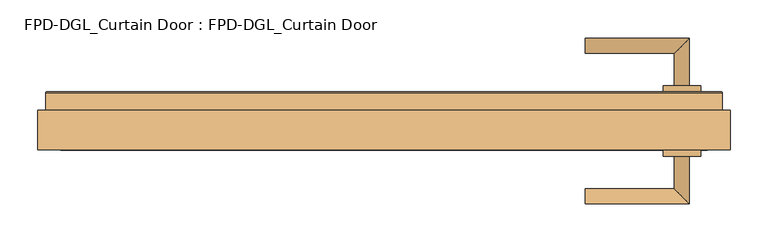
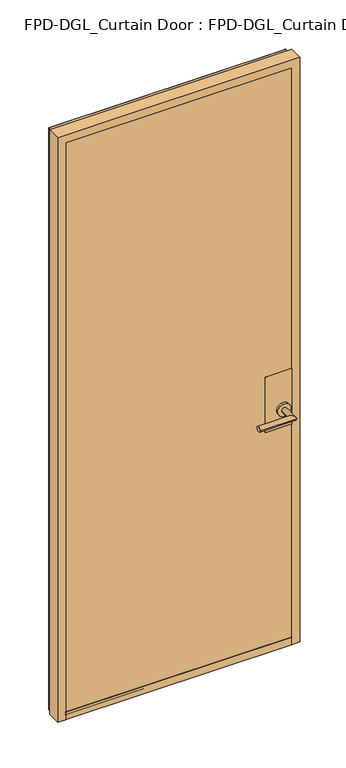
"""IFC4 building model written with IfcOpenShell, lengths in millimetres: door geometry, FPD-DGL_Curtain Door : FPD-DGL_Curtain Door."""

from ifc_helpers import new_model, si_unit, point, frame, frame_2d, origin, place, context, project, spatial, polyline, circle_curve, ellipse_curve, trimmed, segment, composite_curve, outline, extrude, source, transform, mapped, element, save
from ifc_brep_helpers import plane_surface, cylinder_surface, revolved_surface, advanced_brep


def fpd_dgl_curtain_door_fpd_dgl_curtain_door_c3803395(model_context):
    return source(origin(), model_context, "Body", "SolidModel", [
        advanced_brep(
        [(265.3687482, 89.1684274, 965.2), (265.3687482, 109.240371, 965.2), (382.2183886, 89.1684274, 965.2), (402.2903322, 109.240371, 965.2), (382.2183886, 46.5341787, 965.2), (402.2903322, 46.5341787, 965.2)],
        [
            (0, 1, circle_curve(frame((265.3687482, 99.2043992, 965.2), z_axis=(-1.0, 0.0, 0.0), x_axis=(0.0, 1.0, 0.0)), 10.0359718)),
            (1, 0, circle_curve(frame((265.3687482, 99.2043992, 965.2), z_axis=(-1.0, 0.0, 0.0), x_axis=(0.0, 1.0, 0.0)), 10.0359718)),
            (0, 2),
            (2, 3, ellipse_curve(frame((392.2543604, 99.2043992, 965.2), z_axis=(-0.7071067811865464, 0.7071067811865488, 0.0), x_axis=(-0.7071067811865487, -0.7071067811865464, 0.0)), 14.1930074, 10.0359718)),
            (3, 1),
            (3, 2, ellipse_curve(frame((392.2543604, 99.2043992, 965.2), z_axis=(-0.7071067811865464, 0.7071067811865488, 0.0), x_axis=(-0.7071067811865487, -0.7071067811865464, 0.0)), 14.1930074, 10.0359718)),
            (4, 5, circle_curve(frame((392.2543604, 46.5341787, 965.2), z_axis=(0.0, -1.0, 0.0), x_axis=(1.0, 0.0, 0.0)), 10.0359718)),
            (5, 4, circle_curve(frame((392.2543604, 46.5341787, 965.2), z_axis=(0.0, -1.0, 0.0), x_axis=(1.0, 0.0, 0.0)), 10.0359718)),
            (2, 4),
            (5, 3),
        ],
        [
            plane_surface(frame((265.3687482, 99.2043992, 965.2), z_axis=(-1.0, 0.0, 0.0), x_axis=(0.0, 0.0, 1.0))),
            cylinder_surface(frame((265.3687482, 99.2043992, 965.2), z_axis=(-1.0, 0.0, 0.0), x_axis=(0.0, 1.0, 0.0)), 10.0359718),
            plane_surface(frame((392.2543604, 46.5341787, 965.2), z_axis=(0.0, -1.0, 0.0), x_axis=(0.0, 0.0, 1.0))),
            cylinder_surface(frame((392.2543604, 99.2043992, 965.2), z_axis=(0.0, 1.0, 0.0), x_axis=(1.0, 0.0, 0.0)), 10.0359718),
        ],
        [
            (0, [[1, 2]]),
            (1, [[-1, 3, 4, 5]]),
            (1, [[-2, -5, 6, -3]]),
            (2, [[7, 8]]),
            (3, [[-4, 9, -8, 10]]),
            (3, [[-6, -10, -7, -9]]),
        ],
    ),
        advanced_brep(
        [(382.2183886, -46.3299066, 965.2), (402.2903322, -46.3299066, 965.2), (382.2183886, -88.9641553, 965.2), (402.2903322, -109.0360989, 965.2), (265.3687482, -88.9641553, 965.2), (265.3687482, -109.0360989, 965.2)],
        [
            (0, 1, circle_curve(frame((392.2543604, -46.3299066, 965.2), z_axis=(0.0, 1.0, 0.0), x_axis=(1.0, 0.0, 0.0)), 10.0359718)),
            (1, 0, circle_curve(frame((392.2543604, -46.3299066, 965.2), z_axis=(0.0, 1.0, 0.0), x_axis=(1.0, 0.0, 0.0)), 10.0359718)),
            (0, 2),
            (2, 3, ellipse_curve(frame((392.2543604, -99.0001271, 965.2), z_axis=(0.7071067811865487, 0.7071067811865464, 0.0), x_axis=(-0.7071067811865464, 0.7071067811865487, 0.0)), 14.1930074, 10.0359718)),
            (3, 1),
            (3, 2, ellipse_curve(frame((392.2543604, -99.0001271, 965.2), z_axis=(0.7071067811865487, 0.7071067811865464, 0.0), x_axis=(-0.7071067811865464, 0.7071067811865487, 0.0)), 14.1930074, 10.0359718)),
            (4, 5, circle_curve(frame((265.3687482, -99.0001271, 965.2), z_axis=(-1.0, 0.0, 0.0), x_axis=(0.0, -1.0, 0.0)), 10.0359718)),
            (5, 4, circle_curve(frame((265.3687482, -99.0001271, 965.2), z_axis=(-1.0, 0.0, 0.0), x_axis=(0.0, -1.0, 0.0)), 10.0359718)),
            (2, 4),
            (5, 3),
        ],
        [
            plane_surface(frame((392.2543604, -46.3299066, 965.2), z_axis=(0.0, 1.0, 0.0), x_axis=(0.0, 0.0, 1.0))),
            cylinder_surface(frame((392.2543604, -46.3299066, 965.2), z_axis=(0.0, 1.0, 0.0), x_axis=(1.0, 0.0, 0.0)), 10.0359718),
            plane_surface(frame((265.3687482, -99.0001271, 965.2), z_axis=(-1.0, 0.0, 0.0), x_axis=(0.0, 0.0, 1.0))),
            cylinder_surface(frame((392.2543604, -99.0001271, 965.2), z_axis=(1.0, 0.0, 0.0), x_axis=(0.0, -1.0, 0.0)), 10.0359718),
        ],
        [
            (0, [[1, 2]]),
            (1, [[-1, 3, 4, 5]]),
            (1, [[-2, -5, 6, -3]]),
            (2, [[7, 8]]),
            (3, [[-4, 9, -8, 10]]),
            (3, [[-6, -10, -7, -9]]),
        ],
    ),
        extrude(outline(composite_curve([segment(trimmed(circle_curve(frame_2d((965.2, 392.2543604)), 24.60625), [point((965.2, 367.6481104))], [point((965.2, 416.8606104))], False, "CARTESIAN"), True, "CONTINUOUS"), segment(trimmed(circle_curve(frame_2d((965.2, 392.2543604)), 24.60625), [point((965.2, 416.8606104))], [point((965.2, 367.6481104))], False, "CARTESIAN"), True, "CONTINUOUS")], self_intersect=False)), frame((0.0, -46.3299066, 0.0), z_axis=(0.0, 1.0, 0.0), x_axis=(0.0, 0.0, 1.0)), (0.0, 0.0, 1.0), 8.3298107),
        extrude(outline(composite_curve([segment(trimmed(circle_curve(frame_2d((965.2, 392.2543604)), 24.60625), [point((965.2, 367.6481104))], [point((965.2, 416.8606104))], False, "CARTESIAN"), True, "CONTINUOUS"), segment(trimmed(circle_curve(frame_2d((965.2, 392.2543604)), 24.60625), [point((965.2, 416.8606104))], [point((965.2, 367.6481104))], False, "CARTESIAN"), True, "CONTINUOUS")], self_intersect=False)), frame((0.0, 38.1999024, 0.0), z_axis=(0.0, 1.0, 0.0), x_axis=(0.0, 0.0, 1.0)), (0.0, 0.0, 1.0), 8.3342763),
        extrude(outline(polyline([(425.7544204, -38.0000959), (325.7543078, -38.0000959), (325.7543078, -36.6000989), (425.7544204, -36.6000989), (425.7544204, -38.0000959)])), frame((0.0, 0.0, 893.55), z_axis=(0.0, 0.0, 1.0), x_axis=(1.0, 0.0, 0.0)), (0.0, 0.0, 1.0), 220.0),
        extrude(outline(polyline([(425.7544204, 36.7999054), (325.7543078, 36.7999054), (325.7543078, 38.1999024), (425.7544204, 38.1999024), (425.7544204, 36.7999054)])), frame((0.0, 0.0, 893.55), z_axis=(0.0, 0.0, 1.0), x_axis=(1.0, 0.0, 0.0)), (0.0, 0.0, 1.0), 220.0),
        extrude(outline(polyline([(-436.3505915, 28.1030481), (-436.3505915, 36.7999054), (436.3505915, 36.7999054), (436.3505915, 28.1030481), (-436.3505915, 28.1030481)])), frame((0.0, 0.0, 35.2749614), z_axis=(0.0, 0.0, 1.0), x_axis=(1.0, 0.0, 0.0)), (0.0, 0.0, 1.0), 2284.7942742),
        extrude(outline(polyline([(436.3505915, -28.0762398), (436.3505915, -36.7730971), (-436.3505915, -36.7730971), (-436.3505915, -28.0762398), (436.3505915, -28.0762398)])), frame((0.0, 0.0, 35.2749614), z_axis=(0.0, 0.0, 1.0), x_axis=(1.0, 0.0, 0.0)), (0.0, 0.0, 1.0), 2284.7942742),
        advanced_brep(
        [(455.7435838, -38.0731917, 15.875), (425.7544204, -38.0731917, 15.875), (425.7544204, -36.773661, 15.875), (436.3505916, -36.773661, 15.875), (436.3505916, -28.076804, 15.875), (425.7544204, -28.076804, 15.875), (425.7544204, 28.1030481, 15.875), (436.3505915, 28.1030481, 15.875), (436.3505915, 36.7999054, 15.875), (425.7544204, 36.7999054, 15.875), (425.7544204, 38.0994357, 15.875), (444.6292105, 38.0994357, 15.875), (445.4289215, 37.2997247, 15.875), (445.4289215, 13.9501736, 15.875), (455.7435838, 13.9501736, 15.875), (455.7435838, -38.0731917, 2339.4622278), (-455.7435838, -38.0731917, 2339.4622278), (-455.7435838, -38.0731917, 15.875), (-425.7544204, -38.0731917, 15.875), (-425.7544204, -38.0731917, 2309.4730644), (425.7544204, -38.0731917, 2309.4730644), (425.7544204, -36.773661, 2309.4730644), (-425.7544204, -36.773661, 2309.4730644), (-425.7544204, -36.773661, 15.875), (-436.3505916, -36.773661, 15.875), (-436.3505916, -36.773661, 2320.0692356), (436.3505916, -36.773661, 2320.0692356), (436.3505916, -28.076804, 2320.0692356), (-436.3505916, -28.076804, 2320.0692356), (-436.3505916, -28.076804, 15.875), (-425.7544204, -28.076804, 15.875), (-425.7544204, -28.076804, 2309.4730644), (425.7544204, -28.076804, 2309.4730644), (425.7544204, 28.1030481, 2309.4730644), (-425.7544204, 28.1030481, 2309.4730644), (-425.7544204, 28.1030481, 15.875), (-436.3505915, 28.1030481, 15.875), (-436.3505915, 28.1030481, 2320.0692355), (436.3505915, 28.1030481, 2320.0692355), (436.3505915, 36.7999054, 2320.0692355), (-436.3505915, 36.7999054, 2320.0692355), (-436.3505915, 36.7999054, 15.875), (-425.7544204, 36.7999054, 15.875), (-425.7544204, 36.7999054, 2309.4730644), (425.7544204, 36.7999054, 2309.4730644), (425.7544204, 38.0994357, 2309.4730644), (-425.7544204, 38.0994357, 2309.4730644), (-425.7544204, 38.0994357, 15.875), (-444.6292105, 38.0994357, 15.875), (-444.6292105, 38.0994357, 2328.3478545), (444.6292105, 38.0994357, 2328.3478545), (445.4289215, 37.2997247, 2329.1475655), (445.4289215, 13.9501736, 2329.1475655), (-445.4289215, 13.9501736, 2329.1475655), (-445.4289215, 13.9501736, 15.875), (-455.7435838, 13.9501736, 15.875), (-455.7435838, 13.9501736, 2339.4622278), (455.7435838, 13.9501736, 2339.4622278), (-445.4289215, 37.2997247, 15.875), (-445.4289215, 37.2997247, 2329.1475655)],
        [
            (0, 1),
            (1, 2),
            (2, 3),
            (3, 4),
            (4, 5),
            (5, 6),
            (6, 7),
            (7, 8),
            (8, 9),
            (9, 10),
            (10, 11),
            (11, 12, circle_curve(frame((444.6292105, 37.2997247, 15.875), z_axis=(0.0, 0.0, -1.0), x_axis=(0.0, -1.0, 0.0)), 0.799711)),
            (12, 13),
            (13, 14),
            (14, 0),
            (0, 15),
            (15, 16),
            (16, 17),
            (17, 18),
            (18, 19),
            (19, 20),
            (20, 1),
            (20, 21),
            (21, 2),
            (21, 22),
            (22, 23),
            (23, 24),
            (24, 25),
            (25, 26),
            (26, 3),
            (26, 27),
            (27, 4),
            (27, 28),
            (28, 29),
            (29, 30),
            (30, 31),
            (31, 32),
            (32, 5),
            (32, 33),
            (33, 6),
            (33, 34),
            (34, 35),
            (35, 36),
            (36, 37),
            (37, 38),
            (38, 7),
            (38, 39),
            (39, 8),
            (39, 40),
            (40, 41),
            (41, 42),
            (42, 43),
            (43, 44),
            (44, 9),
            (44, 45),
            (45, 10),
            (45, 46),
            (46, 47),
            (47, 48),
            (48, 49),
            (49, 50),
            (50, 11),
            (50, 51, ellipse_curve(frame((444.6292105, 37.2997247, 2328.3478545), z_axis=(0.7071067811865475, 0.0, -0.7071067811865475), x_axis=(-0.7071067811865474, 0.0, -0.7071067811865476)), 1.1309622, 0.799711)),
            (51, 12),
            (51, 52),
            (52, 13),
            (52, 53),
            (53, 54),
            (54, 55),
            (55, 56),
            (56, 57),
            (57, 14),
            (57, 15),
            (16, 56),
            (55, 17),
            (54, 58),
            (58, 48, circle_curve(frame((-444.6292105, 37.2997247, 15.875), z_axis=(0.0, 0.0, -1.0), x_axis=(0.0, -1.0, 0.0)), 0.799711)),
            (47, 42),
            (41, 36),
            (35, 30),
            (29, 24),
            (23, 18),
            (22, 19),
            (28, 25),
            (34, 31),
            (40, 37),
            (46, 43),
            (59, 49, ellipse_curve(frame((-444.6292105, 37.2997247, 2328.3478545), z_axis=(-0.7071067811865475, 0.0, -0.7071067811865475), x_axis=(-0.7071067811865474, 0.0, 0.7071067811865476)), 1.1309622, 0.799711)),
            (58, 59),
            (53, 59),
            (59, 51),
        ],
        [
            plane_surface(frame((455.7435838, 0.0134041, 15.875), z_axis=(0.0, 0.0, -1.0), x_axis=(0.0, -1.0, 0.0))),
            plane_surface(frame((455.7435838, -38.0731917, 15.875), z_axis=(0.0, -1.0, 0.0), x_axis=(0.0, 0.0, 1.0))),
            plane_surface(frame((425.7544204, -38.0731917, 15.875), z_axis=(-1.0, 0.0, 0.0), x_axis=(0.0, 0.0, 1.0))),
            plane_surface(frame((425.7544204, -36.773661, 15.875), z_axis=(0.0, 1.0, 0.0), x_axis=(0.0, 0.0, 1.0))),
            plane_surface(frame((436.3505916, -36.773661, 15.875), z_axis=(-1.0, 0.0, 0.0), x_axis=(0.0, 0.0, 1.0))),
            plane_surface(frame((436.3505916, -28.076804, 15.875), z_axis=(0.0, -1.0, 0.0), x_axis=(0.0, 0.0, 1.0))),
            plane_surface(frame((425.7544204, -28.076804, 15.875), z_axis=(-1.0, 0.0, 0.0), x_axis=(0.0, 0.0, 1.0))),
            plane_surface(frame((425.7544204, 28.1030481, 15.875), z_axis=(0.0, 1.0, 0.0), x_axis=(0.0, 0.0, 1.0))),
            plane_surface(frame((436.3505915, 28.1030481, 15.875), z_axis=(-1.0, 0.0, 0.0), x_axis=(0.0, 0.0, 1.0))),
            plane_surface(frame((436.3505915, 36.7999054, 15.875), z_axis=(0.0, -1.0, 0.0), x_axis=(0.0, 0.0, 1.0))),
            plane_surface(frame((425.7544204, 36.7999054, 15.875), z_axis=(-1.0, 0.0, 0.0), x_axis=(0.0, 0.0, 1.0))),
            plane_surface(frame((425.7544204, 38.0994357, 15.875), z_axis=(0.0, 1.0, 0.0), x_axis=(0.0, 0.0, 1.0))),
            cylinder_surface(frame((444.6292105, 37.2997247, 15.875), z_axis=(0.0, 0.0, -1.0), x_axis=(0.0, -1.0, 0.0)), 0.799711),
            plane_surface(frame((445.4289215, 37.2997247, 15.875), z_axis=(1.0, 0.0, 0.0), x_axis=(0.0, 0.0, 1.0))),
            plane_surface(frame((445.4289215, 13.9501736, 15.875), z_axis=(0.0, 1.0, 0.0), x_axis=(0.0, 0.0, 1.0))),
            plane_surface(frame((455.7435838, 13.9501736, 15.875), z_axis=(1.0, 0.0, 0.0), x_axis=(0.0, 0.0, 1.0))),
            plane_surface(frame((-455.7435838, 13.9501736, 2339.4622278), z_axis=(-1.0, 0.0, 0.0), x_axis=(0.0, 0.0, -1.0))),
            plane_surface(frame((-455.7435838, 0.0134041, 15.875), z_axis=(0.0, 0.0, -1.0), x_axis=(0.0, -1.0, 0.0))),
            plane_surface(frame((-425.7544204, -38.0731917, 2309.4730644), z_axis=(1.0, 0.0, 0.0), x_axis=(0.0, 0.0, -1.0))),
            plane_surface(frame((-436.3505916, -36.773661, 2320.0692356), z_axis=(1.0, 0.0, 0.0), x_axis=(0.0, 0.0, -1.0))),
            plane_surface(frame((-425.7544204, -28.076804, 2309.4730644), z_axis=(1.0, 0.0, 0.0), x_axis=(0.0, 0.0, -1.0))),
            plane_surface(frame((-436.3505915, 28.1030481, 2320.0692355), z_axis=(1.0, 0.0, 0.0), x_axis=(0.0, 0.0, -1.0))),
            plane_surface(frame((-425.7544204, 36.7999054, 2309.4730644), z_axis=(1.0, 0.0, 0.0), x_axis=(0.0, 0.0, -1.0))),
            cylinder_surface(frame((-444.6292105, 37.2997247, 2339.4622278), z_axis=(0.0, 0.0, 1.0), x_axis=(0.0, -1.0, 0.0)), 0.799711),
            plane_surface(frame((-445.4289215, 37.2997247, 2329.1475655), z_axis=(-1.0, 0.0, 0.0), x_axis=(0.0, 0.0, -1.0))),
            plane_surface(frame((425.7544204, -38.0731917, 2309.4730644), z_axis=(0.0, 0.0, -1.0), x_axis=(-1.0, 0.0, 0.0))),
            plane_surface(frame((436.3505916, -36.773661, 2320.0692356), z_axis=(0.0, 0.0, -1.0), x_axis=(-1.0, 0.0, 0.0))),
            plane_surface(frame((425.7544204, -28.076804, 2309.4730644), z_axis=(0.0, 0.0, -1.0), x_axis=(-1.0, 0.0, 0.0))),
            plane_surface(frame((436.3505915, 28.1030481, 2320.0692355), z_axis=(0.0, 0.0, -1.0), x_axis=(-1.0, 0.0, 0.0))),
            plane_surface(frame((425.7544204, 36.7999054, 2309.4730644), z_axis=(0.0, 0.0, -1.0), x_axis=(-1.0, 0.0, 0.0))),
            cylinder_surface(frame((455.7435838, 37.2997247, 2328.3478545), z_axis=(1.0, 0.0, 0.0), x_axis=(0.0, -1.0, 0.0)), 0.799711),
            plane_surface(frame((445.4289215, 37.2997247, 2329.1475655), z_axis=(0.0, 0.0, 1.0), x_axis=(-1.0, 0.0, 0.0))),
            plane_surface(frame((455.7435838, 13.9501736, 2339.4622278), z_axis=(0.0, 0.0, 1.0), x_axis=(-1.0, 0.0, 0.0))),
        ],
        [
            (0, [[1, 2, 3, 4, 5, 6, 7, 8, 9, 10, 11, 12, 13, 14, 15]]),
            (1, [[-1, 16, 17, 18, 19, 20, 21, 22]]),
            (2, [[-2, -22, 23, 24]]),
            (3, [[-3, -24, 25, 26, 27, 28, 29, 30]]),
            (4, [[-4, -30, 31, 32]]),
            (5, [[-5, -32, 33, 34, 35, 36, 37, 38]]),
            (6, [[-6, -38, 39, 40]]),
            (7, [[-7, -40, 41, 42, 43, 44, 45, 46]]),
            (8, [[-8, -46, 47, 48]]),
            (9, [[-9, -48, 49, 50, 51, 52, 53, 54]]),
            (10, [[-10, -54, 55, 56]]),
            (11, [[-11, -56, 57, 58, 59, 60, 61, 62]]),
            (12, [[-12, -62, 63, 64]]),
            (13, [[-13, -64, 65, 66]]),
            (14, [[-14, -66, 67, 68, 69, 70, 71, 72]]),
            (15, [[-15, -72, 73, -16]]),
            (16, [[74, -70, 75, -18]]),
            (17, [[-75, -69, 76, 77, -59, 78, -51, 79, -43, 80, -35, 81, -27, 82, -19]]),
            (18, [[83, -20, -82, -26]]),
            (19, [[84, -28, -81, -34]]),
            (20, [[85, -36, -80, -42]]),
            (21, [[86, -44, -79, -50]]),
            (22, [[87, -52, -78, -58]]),
            (23, [[88, -60, -77, 89]]),
            (24, [[90, -89, -76, -68]]),
            (25, [[-23, -21, -83, -25]]),
            (26, [[-31, -29, -84, -33]]),
            (27, [[-39, -37, -85, -41]]),
            (28, [[-47, -45, -86, -49]]),
            (29, [[-55, -53, -87, -57]]),
            (30, [[-63, -61, -88, 91]]),
            (31, [[-65, -91, -90, -67]]),
            (32, [[-73, -71, -74, -17]]),
        ],
    ),
        advanced_brep(
        [(425.7544204, 28.127892, 45.8749402), (425.7544204, -28.0721576, 45.8749402), (425.7544204, -28.0721576, 35.2749614), (425.7544204, -36.2721409, 35.2749614), (425.7544204, -36.7721399, 35.7749604), (425.7544204, -36.7721402, 43.0952793), (425.7544204, -36.6721405, 44.0749436), (425.7544204, -36.6721405, 45.8749402), (425.7544204, -38.0721375, 45.8749402), (425.7544204, -38.0721375, 15.875), (425.7544204, 37.3278641, 15.875), (425.7544204, 38.1278625, 16.6749984), (425.7544204, 38.1278625, 45.8749402), (425.7544204, 36.7278654, 45.8749402), (425.7544204, 36.7278654, 44.0749434), (425.7544204, 36.8278651, 43.0952791), (425.7544204, 36.8278651, 35.2749613), (425.7544204, 28.127892, 35.2749613), (-426.0318415, 28.127892, 45.8749402), (-426.0318415, 28.127892, 35.2749613), (-426.0318415, 36.8278651, 35.2749613), (-426.0318415, 36.8278651, 43.0952791), (-426.0318415, 36.7278654, 44.0749434), (-426.0318415, 36.7278654, 45.8749402), (-426.0318415, 38.1278625, 45.8749402), (-426.0318415, 38.1278625, 16.6749984), (-426.0318415, 37.3278641, 15.875), (-426.0318415, -38.0721375, 15.875), (-426.0318415, -38.0721375, 45.8749402), (-426.0318415, -36.6721405, 45.8749402), (-426.0318415, -36.6721405, 44.0749436), (-426.0318415, -36.7721402, 43.0952793), (-426.0318415, -36.7721402, 35.7749604), (-426.0318415, -36.2721409, 35.2749614), (-426.0318415, -28.0721576, 35.2749614), (-426.0318415, -28.0721576, 45.8749402)],
        [
            (0, 1),
            (1, 2),
            (2, 3),
            (3, 4, circle_curve(frame((425.7544204, -36.2721409, 35.7749604), z_axis=(-1.0, 0.0, 0.0), x_axis=(0.0, 0.0, -1.0)), 0.499999)),
            (4, 5),
            (5, 6),
            (6, 7),
            (7, 8),
            (8, 9),
            (9, 10),
            (10, 11, circle_curve(frame((425.7544204, 37.3278641, 16.6749984), z_axis=(1.0, 0.0, 0.0), x_axis=(0.0, 0.0, -1.0)), 0.7999984)),
            (11, 12),
            (12, 13),
            (13, 14),
            (14, 15),
            (15, 16),
            (16, 17),
            (17, 0),
            (18, 19),
            (19, 20),
            (20, 21),
            (21, 22),
            (22, 23),
            (23, 24),
            (24, 25),
            (25, 26, circle_curve(frame((-426.0318415, 37.3278641, 16.6749984), z_axis=(-1.0, 0.0, 0.0), x_axis=(0.0, 0.0, -1.0)), 0.7999984)),
            (26, 27),
            (27, 28),
            (28, 29),
            (29, 30),
            (30, 31),
            (31, 32),
            (32, 33, circle_curve(frame((-426.0318415, -36.2721409, 35.7749604), z_axis=(1.0, 0.0, 0.0), x_axis=(0.0, 0.0, -1.0)), 0.499999)),
            (33, 34),
            (34, 35),
            (35, 18),
            (0, 18),
            (35, 1),
            (34, 2),
            (33, 3),
            (32, 4),
            (31, 5),
            (30, 6),
            (29, 7),
            (28, 8),
            (27, 9),
            (26, 10),
            (25, 11),
            (24, 12),
            (23, 13),
            (22, 14),
            (21, 15),
            (20, 16),
            (19, 17),
        ],
        [
            plane_surface(frame((425.7544204, 0.0134041, 15.875), z_axis=(1.0, 0.0, 0.0), x_axis=(0.0, -1.0, 0.0))),
            plane_surface(frame((-426.0318415, 0.0134041, 15.875), z_axis=(-1.0, 0.0, 0.0), x_axis=(0.0, -1.0, 0.0))),
            plane_surface(frame((425.7544204, 28.127892, 45.8749402), z_axis=(0.0, 0.0, 1.0), x_axis=(-1.0, 0.0, 0.0))),
            plane_surface(frame((425.7544204, -28.0721576, 45.8749402), z_axis=(0.0, -1.0, 0.0), x_axis=(-1.0, 0.0, 0.0))),
            plane_surface(frame((425.7544204, -28.0721576, 35.2749614), z_axis=(0.0, 0.0, 1.0), x_axis=(-1.0, 0.0, 0.0))),
            revolved_surface(polyline([(-426.0318415, -36.2721409, 35.274961399999995), (425.7544204, -36.2721409, 35.274961399999995)]), (425.7544204, -36.2721409, 35.7749604), (-1.0, 0.0, 0.0)),
            plane_surface(frame((425.7544204, -36.7721402, 35.7749604), z_axis=(0.0, 1.0, 0.0), x_axis=(-1.0, 0.0, 0.0))),
            plane_surface(frame((425.7544204, -36.7721402, 43.0952793), z_axis=(0.0, 0.9948306566600448, -0.10154784374541988), x_axis=(-1.0, 0.0, 0.0))),
            plane_surface(frame((425.7544204, -36.6721405, 44.0749436), z_axis=(0.0, 1.0, 0.0), x_axis=(-1.0, 0.0, 0.0))),
            plane_surface(frame((425.7544204, -36.6721405, 45.8749402), z_axis=(0.0, 0.0, 1.0), x_axis=(-1.0, 0.0, 0.0))),
            plane_surface(frame((425.7544204, -38.0721375, 45.8749402), z_axis=(0.0, -1.0, 0.0), x_axis=(-1.0, 0.0, 0.0))),
            plane_surface(frame((425.7544204, -38.0721375, 15.875), z_axis=(0.0, 0.0, -1.0), x_axis=(-1.0, 0.0, 0.0))),
            cylinder_surface(frame((425.7544204, 37.3278641, 16.6749984), z_axis=(1.0, 0.0, 0.0), x_axis=(0.0, 0.0, -1.0)), 0.7999984),
            plane_surface(frame((425.7544204, 38.1278625, 16.6749984), z_axis=(0.0, 1.0, 0.0), x_axis=(-1.0, 0.0, 0.0))),
            plane_surface(frame((425.7544204, 38.1278625, 45.8749402), z_axis=(0.0, 0.0, 1.0), x_axis=(-1.0, 0.0, 0.0))),
            plane_surface(frame((425.7544204, 36.7278654, 45.8749402), z_axis=(0.0, -1.0, 0.0), x_axis=(-1.0, 0.0, 0.0))),
            plane_surface(frame((425.7544204, 36.7278654, 44.0749434), z_axis=(0.0, -0.9948306566625575, -0.10154784372080249), x_axis=(-1.0, 0.0, 0.0))),
            plane_surface(frame((425.7544204, 36.8278651, 43.0952791), z_axis=(0.0, -1.0, 0.0), x_axis=(-1.0, 0.0, 0.0))),
            plane_surface(frame((425.7544204, 36.8278651, 35.2749613), z_axis=(0.0, 0.0, 1.0), x_axis=(-1.0, 0.0, 0.0))),
            plane_surface(frame((425.7544204, 28.127892, 35.2749613), z_axis=(0.0, 1.0, 0.0), x_axis=(-1.0, 0.0, 0.0))),
        ],
        [
            (0, [[1, 2, 3, 4, 5, 6, 7, 8, 9, 10, 11, 12, 13, 14, 15, 16, 17, 18]]),
            (1, [[19, 20, 21, 22, 23, 24, 25, 26, 27, 28, 29, 30, 31, 32, 33, 34, 35, 36]]),
            (2, [[-1, 37, -36, 38]]),
            (3, [[-2, -38, -35, 39]]),
            (4, [[-3, -39, -34, 40]]),
            (5, [[-4, -40, -33, 41]]),
            (6, [[-5, -41, -32, 42]]),
            (7, [[-6, -42, -31, 43]]),
            (8, [[-7, -43, -30, 44]]),
            (9, [[-8, -44, -29, 45]]),
            (10, [[-9, -45, -28, 46]]),
            (11, [[-10, -46, -27, 47]]),
            (12, [[-11, -47, -26, 48]]),
            (13, [[-12, -48, -25, 49]]),
            (14, [[-13, -49, -24, 50]]),
            (15, [[-14, -50, -23, 51]]),
            (16, [[-15, -51, -22, 52]]),
            (17, [[-16, -52, -21, 53]]),
            (18, [[-17, -53, -20, 54]]),
            (19, [[-18, -54, -19, -37]]),
        ],
    ),
    ])


if __name__ == "__main__":
    model = new_model("IFC4")
    model_context = context("Model", 3, world=origin())
    ifc_project = project(units=[si_unit("LENGTHUNIT", "METRE", prefix="MILLI")], contexts=[model_context])
    site = spatial("IfcSite", under=ifc_project)
    building = spatial("IfcBuilding", under=site)
    placement = place(None, origin())
    fpd_dgl_curtain_door_fpd_dgl_curtain_door_shape = fpd_dgl_curtain_door_fpd_dgl_curtain_door_c3803395(model_context)
    element("IfcDoor", 1, ObjectType="FPD-DGL_Curtain Door : FPD-DGL_Curtain Door", at=placement, inside=building, context=model_context, shape_type="MappedRepresentation", body=[
        mapped(fpd_dgl_curtain_door_fpd_dgl_curtain_door_shape, transform((0.0, 0.0, 0.0), x_axis=(1.0, 0.0, 0.0), y_axis=(0.0, 1.0, 0.0), z_axis=(0.0, 0.0, 1.0))),
    ])
    save(model, "model.ifc")
